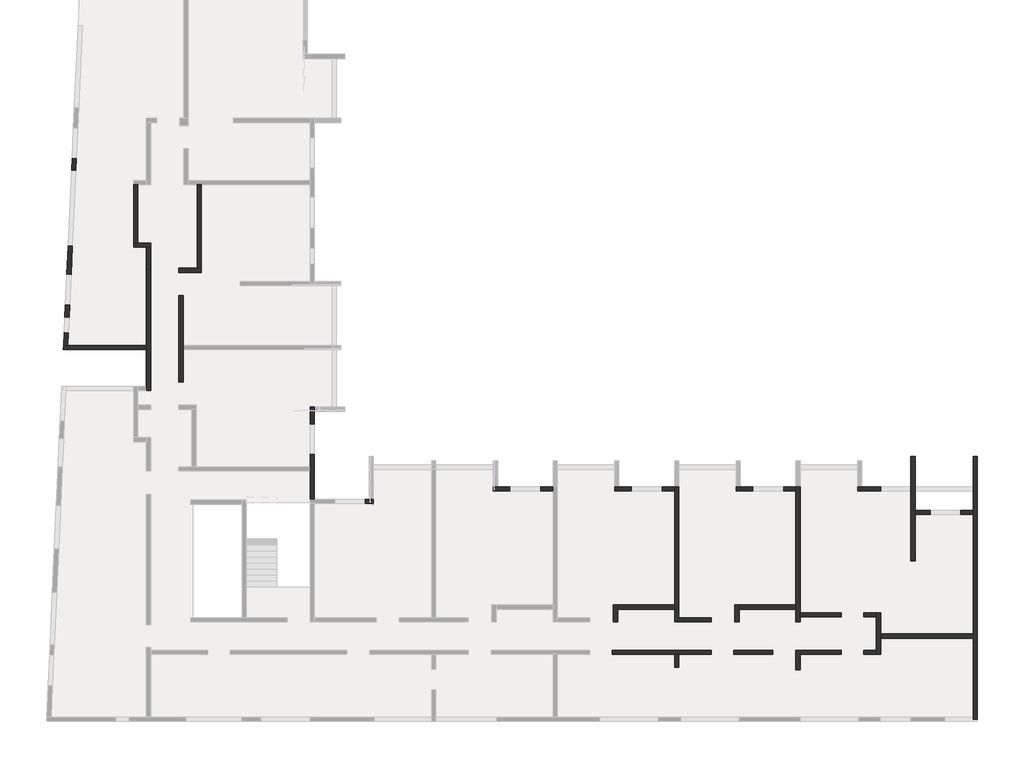
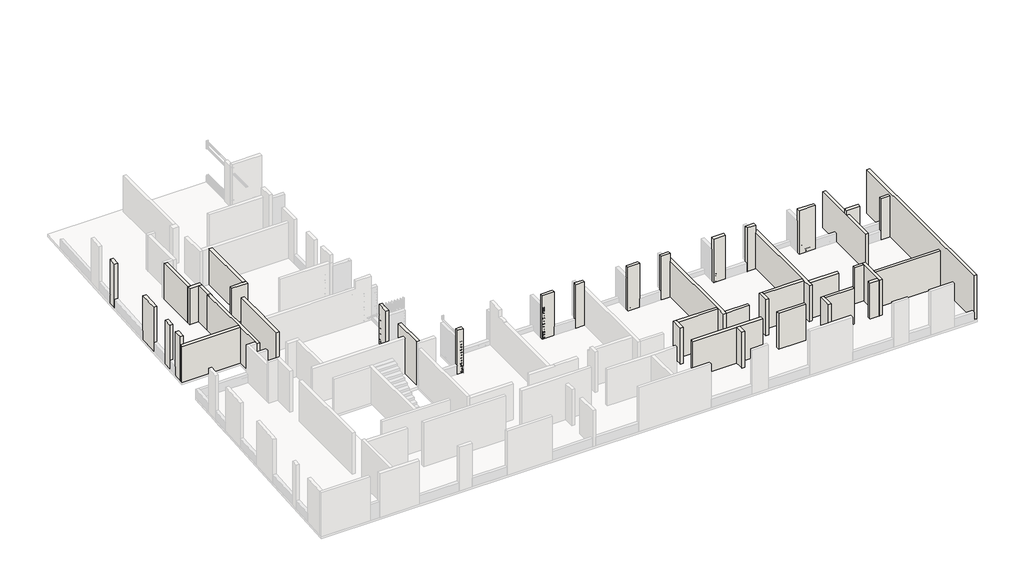
# One storey, part 2 of 7: 43 walls.
"""IFC4 building model written with IfcOpenShell, lengths in millimetres."""

from ifc_helpers import new_model, si_unit, frame, origin, place, context, project, spatial, polyline, outline, extrude, faceted_brep, element, save

model = new_model("IFC4")

# Units and contexts
model_context = context("Model", 3, world=origin())
ifc_project = project(units=[si_unit("LENGTHUNIT", "METRE", prefix="MILLI")], contexts=[model_context])

# Site, building, storey
site = spatial("IfcSite", under=ifc_project)
building = spatial("IfcBuilding", under=site)
storey = spatial("IfcBuildingStorey", under=building, Elevation=19880.0)

# Walls
placement = place(None, origin())
element("IfcWall", 1, ObjectType="MHA20", at=placement, inside=storey, context=model_context, shape_type="Brep", body=[
    faceted_brep([(-2535.6912908, -13279.0672499, 19880.0), (-2535.6912908, -12519.0672499, 19880.0), (-2535.6912908, -12319.0672499, 19880.0), (-2535.6912908, -11329.0672499, 19880.0), (-2535.6912908, -11329.0672499, 22410.0), (-2535.6912908, -12319.0672499, 22410.0), (-2535.6912908, -12519.0672499, 22410.0), (-2535.6912908, -13279.0672499, 22410.0), (-2735.6912908, -13279.0672499, 19880.0), (-2735.6912908, -13279.0672499, 22410.0), (-2735.6912908, -13079.0672499, 22410.0), (-2735.6912908, -11529.0672499, 22410.0), (-2735.6912908, -11329.0672499, 22410.0), (-2735.6912908, -11329.0672499, 19880.0), (-2735.6912908, -11529.0672499, 19880.0), (-2735.6912908, -13079.0672499, 19880.0)], [[[0, 1, 2, 3, 4, 5, 6, 7]], [[8, 9, 10, 11, 12, 13, 14, 15]], [[3, 2, 1, 0, 8, 15, 14, 13]], [[7, 6, 5, 4, 12, 11, 10, 9]], [[4, 3, 13, 12]], [[0, 7, 9, 8]]]),
])
element("IfcWall", 2, ObjectType="MHA20", at=placement, inside=storey, context=model_context, shape_type="SweptSolid", body=[
    extrude(outline(polyline([(1794.3087092, -12519.0672499), (-2535.6912908, -12519.0672499), (-2535.6912908, -12319.0672499), (1794.3087092, -12319.0672499), (1794.3087092, -12519.0672499)])), frame((0.0, 0.0, 19880.0), z_axis=(0.0, 0.0, 1.0), x_axis=(1.0, 0.0, 0.0)), (0.0, 0.0, 1.0), 2530.0),
])
element("IfcWall", 3, ObjectType="MHA20", at=placement, inside=storey, context=model_context, shape_type="Brep", body=[
    faceted_brep([(1994.3087092, -16319.0672499, 19880.0), (1994.3087092, -3999.0672499, 19880.0), (1994.3087092, -3999.0672499, 22960.0), (1994.3087092, -16319.0672499, 22960.0), (1794.3087092, -16319.0672499, 19880.0), (1794.3087092, -16319.0672499, 22960.0), (1794.3087092, -16219.0672499, 22960.0), (1794.3087092, -3999.0672499, 22960.0), (1794.3087092, -3999.0672499, 19880.0), (1794.3087092, -6519.0672499, 19880.0), (1794.3087092, -6719.0672499, 19880.0), (1794.3087092, -12319.0672499, 19880.0), (1794.3087092, -12519.0672499, 19880.0), (1794.3087092, -16219.0672499, 19880.0)], [[[0, 1, 2, 3]], [[4, 5, 6, 7, 8, 9, 10, 11, 12, 13]], [[1, 0, 4, 13, 12, 11, 10, 9, 8]], [[2, 1, 8, 7]], [[3, 2, 7, 6, 5]], [[0, 3, 5, 4]]]),
])
element("IfcWall", 4, ObjectType="MHA20", at=placement, inside=storey, context=model_context, shape_type="SweptSolid", body=[
    extrude(outline(polyline([(-2735.6912908, -11529.0672499), (-3335.6912908, -11529.0672499), (-3335.6912908, -11329.0672499), (-2735.6912908, -11329.0672499), (-2735.6912908, -11529.0672499)])), frame((0.0, 0.0, 19880.0), z_axis=(0.0, 0.0, 1.0), x_axis=(1.0, 0.0, 0.0)), (0.0, 0.0, 1.0), 2530.0),
])
element("IfcWall", 5, ObjectType="MHA20", at=placement, inside=storey, context=model_context, shape_type="SweptSolid", body=[
    extrude(outline(polyline([(-6305.6912908, -11329.0672499), (-4395.6912908, -11329.0672499), (-4395.6912908, -11529.0672499), (-6305.6912908, -11529.0672499), (-6305.6912908, -11329.0672499)])), frame((0.0, 0.0, 19880.0), z_axis=(0.0, 0.0, 1.0), x_axis=(1.0, 0.0, 0.0)), (0.0, 0.0, 1.0), 2530.0),
])
element("IfcWall", 6, ObjectType="MHA20", at=placement, inside=storey, context=model_context, shape_type="SweptSolid", body=[
    extrude(outline(polyline([(-3335.6912908, -13079.0672499), (-2735.6912908, -13079.0672499), (-2735.6912908, -13279.0672499), (-3335.6912908, -13279.0672499), (-3335.6912908, -13079.0672499)])), frame((0.0, 0.0, 19880.0), z_axis=(0.0, 0.0, 1.0), x_axis=(1.0, 0.0, 0.0)), (0.0, 0.0, 1.0), 2530.0),
])
element("IfcWall", 7, ObjectType="MHA20", at=placement, inside=storey, context=model_context, shape_type="Brep", body=[
    faceted_brep([(-6305.6912908, -13989.0672499, 19880.0), (-6305.6912908, -13279.0672499, 19880.0), (-6305.6912908, -13079.0672499, 19880.0), (-6305.6912908, -13079.0672499, 22410.0), (-6305.6912908, -13279.0672499, 22410.0), (-6305.6912908, -13989.0672499, 22410.0), (-6505.6912908, -13989.0672499, 19880.0), (-6505.6912908, -13989.0672499, 22410.0), (-6505.6912908, -13079.0672499, 22410.0), (-6505.6912908, -13079.0672499, 19880.0)], [[[0, 1, 2, 3, 4, 5]], [[6, 7, 8, 9]], [[2, 1, 0, 6, 9]], [[5, 4, 3, 8, 7]], [[0, 5, 7, 6]], [[3, 2, 9, 8]]]),
])
element("IfcWall", 8, ObjectType="MHA20", at=placement, inside=storey, context=model_context, shape_type="Brep", body=[
    faceted_brep([(-6305.6912908, -11759.0672499, 19880.0), (-6305.6912908, -11529.0672499, 19880.0), (-6305.6912908, -11329.0672499, 19880.0), (-6305.6912908, -5419.0672499, 19880.0), (-6305.6912908, -5419.0672499, 22110.0), (-6305.6912908, -5419.0672499, 22410.0), (-6305.6912908, -11329.0672499, 22410.0), (-6305.6912908, -11529.0672499, 22410.0), (-6305.6912908, -11759.0672499, 22410.0), (-6505.6912908, -11759.0672499, 19880.0), (-6505.6912908, -11759.0672499, 22410.0), (-6505.6912908, -11159.0672499, 22410.0), (-6505.6912908, -10959.0672499, 22410.0), (-6505.6912908, -5619.0672499, 22410.0), (-6505.6912908, -5419.0672499, 22410.0), (-6505.6912908, -5419.0672499, 22110.0), (-6505.6912908, -5419.0672499, 19880.0), (-6505.6912908, -5619.0672499, 19880.0), (-6505.6912908, -10959.0672499, 19880.0), (-6505.6912908, -11159.0672499, 19880.0)], [[[0, 1, 2, 3, 4, 5, 6, 7, 8]], [[9, 10, 11, 12, 13, 14, 15, 16, 17, 18, 19]], [[3, 2, 1, 0, 9, 19, 18, 17, 16]], [[8, 7, 6, 5, 14, 13, 12, 11, 10]], [[0, 8, 10, 9]], [[5, 4, 3, 16, 15, 14]]]),
])
element("IfcWall", 9, ObjectType="MHA20", at=placement, inside=storey, context=model_context, shape_type="SweptSolid", body=[
    extrude(outline(polyline([(19880.0, -925.6912908), (19880.0, -225.6912908), (22750.0, -225.6912908), (22750.0, -1125.6912908), (22410.0, -1125.6912908), (22410.0, -925.6912908), (19880.0, -925.6912908)])), frame((0.0, -6719.0672499, 0.0), z_axis=(0.0, 1.0, 0.0), x_axis=(0.0, 0.0, 1.0)), (0.0, 0.0, 1.0), 200.0),
])
element("IfcWall", 10, ObjectType="MHA20", at=placement, inside=storey, context=model_context, shape_type="SweptSolid", body=[
    extrude(outline(polyline([(1794.3087092, -6719.0672499), (1214.3087092, -6719.0672499), (1214.3087092, -6519.0672499), (1794.3087092, -6519.0672499), (1794.3087092, -6719.0672499)])), frame((0.0, 0.0, 19880.0), z_axis=(0.0, 0.0, 1.0), x_axis=(1.0, 0.0, 0.0)), (0.0, 0.0, 1.0), 2870.0),
])
element("IfcWall", 11, ObjectType="MHA20", at=placement, inside=storey, context=model_context, shape_type="Brep", body=[
    faceted_brep([(-1125.6912908, -3999.0672499, 19880.0), (-1125.6912908, -5419.0672499, 19880.0), (-1125.6912908, -5619.0672499, 19880.0), (-1125.6912908, -8899.0672499, 19880.0), (-1125.6912908, -8899.0672499, 22410.0), (-1125.6912908, -3999.0672499, 22410.0), (-925.6912908, -3999.0672499, 19880.0), (-925.6912908, -3999.0672499, 22410.0), (-925.6912908, -6519.0672499, 22410.0), (-925.6912908, -6719.0672499, 22410.0), (-925.6912908, -8899.0672499, 22410.0), (-925.6912908, -8899.0672499, 19880.0), (-925.6912908, -6719.0672499, 19880.0), (-925.6912908, -6519.0672499, 19880.0)], [[[0, 1, 2, 3, 4, 5]], [[6, 7, 8, 9, 10, 11, 12, 13]], [[3, 2, 1, 0, 6, 13, 12, 11]], [[4, 3, 11, 10]], [[5, 4, 10, 9, 8, 7]], [[0, 5, 7, 6]]]),
])
element("IfcWall", 12, ObjectType="MHA20", at=placement, inside=storey, context=model_context, shape_type="Brep", body=[
    faceted_brep([(-3615.6912908, -5619.0672499, 19880.0), (-2545.6912908, -5619.0672499, 19880.0), (-2545.6912908, -5619.0672499, 20480.0), (-2545.6912908, -5619.0672499, 22410.0), (-2545.6912908, -5619.0672499, 22795.0), (-2545.6912908, -5619.0672499, 22945.0), (-3615.6912908, -5619.0672499, 22945.0), (-3615.6912908, -5619.0672499, 22795.0), (-3615.6912908, -5619.0672499, 22410.0), (-3615.6912908, -5419.0672499, 19880.0), (-3615.6912908, -5419.0672499, 22110.0), (-3615.6912908, -5419.0672499, 22410.0), (-3615.6912908, -5419.0672499, 22796.8518519), (-3615.6912908, -5419.0672499, 22945.0), (-2545.6912908, -5419.0672499, 22945.0), (-2545.6912908, -5419.0672499, 22796.8518519), (-2545.6912908, -5419.0672499, 22410.0), (-2545.6912908, -5419.0672499, 20480.0), (-2545.6912908, -5419.0672499, 19880.0), (-3415.6912908, -5419.0672499, 19880.0)], [[[0, 1, 2, 3, 4, 5, 6, 7, 8]], [[9, 10, 11, 12, 13, 14, 15, 16, 17, 18, 19]], [[1, 0, 9, 19, 18]], [[5, 4, 3, 2, 1, 18, 17, 16, 15, 14]], [[6, 5, 14, 13]], [[0, 8, 7, 6, 13, 12, 11, 10, 9]]]),
])
element("IfcWall", 13, ObjectType="MHA20", at=placement, inside=storey, context=model_context, shape_type="SweptSolid", body=[
    extrude(outline(polyline([(-11995.6912908, -13279.0672499), (-11995.6912908, -13879.0672499), (-12195.6912908, -13879.0672499), (-12195.6912908, -13279.0672499), (-11995.6912908, -13279.0672499)])), frame((0.0, 0.0, 19880.0), z_axis=(0.0, 0.0, 1.0), x_axis=(1.0, 0.0, 0.0)), (0.0, 0.0, 1.0), 2530.0),
])
element("IfcWall", 14, ObjectType="MHA20", at=placement, inside=storey, context=model_context, shape_type="Brep", body=[
    faceted_brep([(-11995.6912908, -11759.0672499, 19880.0), (-11995.6912908, -11559.0672499, 19880.0), (-11995.6912908, -5419.0672499, 19880.0), (-11995.6912908, -5419.0672499, 22110.0), (-11995.6912908, -5419.0672499, 22410.0), (-11995.6912908, -11559.0672499, 22410.0), (-11995.6912908, -11759.0672499, 22410.0), (-12195.6912908, -11759.0672499, 19880.0), (-12195.6912908, -11759.0672499, 22410.0), (-12195.6912908, -11159.0672499, 22410.0), (-12195.6912908, -10959.0672499, 22410.0), (-12195.6912908, -5619.0672499, 22410.0), (-12195.6912908, -5419.0672499, 22410.0), (-12195.6912908, -5419.0672499, 22110.0), (-12195.6912908, -5419.0672499, 19880.0), (-12195.6912908, -5619.0672499, 19880.0), (-12195.6912908, -10959.0672499, 19880.0), (-12195.6912908, -11159.0672499, 19880.0)], [[[0, 1, 2, 3, 4, 5, 6]], [[7, 8, 9, 10, 11, 12, 13, 14, 15, 16, 17]], [[2, 1, 0, 7, 17, 16, 15, 14]], [[6, 5, 4, 12, 11, 10, 9, 8]], [[0, 6, 8, 7]], [[4, 3, 2, 14, 13, 12]]]),
])
element("IfcWall", 15, ObjectType="MHA20", at=placement, inside=storey, context=model_context, shape_type="Brep", body=[
    faceted_brep([(-9305.6912908, -5619.0672499, 19880.0), (-8525.6912908, -5619.0672499, 19880.0), (-8525.6912908, -5619.0672499, 20480.0), (-8525.6912908, -5619.0672499, 22410.0), (-8525.6912908, -5619.0672499, 22945.0), (-9305.6912908, -5619.0672499, 22945.0), (-9305.6912908, -5619.0672499, 22410.0), (-9305.6912908, -5419.0672499, 19880.0), (-9305.6912908, -5419.0672499, 22110.0), (-9305.6912908, -5419.0672499, 22410.0), (-9305.6912908, -5419.0672499, 22945.0), (-8525.6912908, -5419.0672499, 22945.0), (-8525.6912908, -5419.0672499, 22410.0), (-8525.6912908, -5419.0672499, 20480.0), (-8525.6912908, -5419.0672499, 19880.0), (-9105.6912908, -5419.0672499, 19880.0)], [[[0, 1, 2, 3, 4, 5, 6]], [[7, 8, 9, 10, 11, 12, 13, 14, 15]], [[1, 0, 7, 15, 14]], [[4, 3, 2, 1, 14, 13, 12, 11]], [[5, 4, 11, 10]], [[0, 6, 5, 10, 9, 8, 7]]]),
])
element("IfcWall", 16, ObjectType="MHA20", at=placement, inside=storey, context=model_context, shape_type="Brep", body=[
    faceted_brep([(-14995.6912908, -5619.0672499, 19880.0), (-14215.6912908, -5619.0672499, 19880.0), (-14215.6912908, -5619.0672499, 20480.0), (-14215.6912908, -5619.0672499, 22410.0), (-14215.6912908, -5619.0672499, 22795.0), (-14215.6912908, -5619.0672499, 22945.0), (-14995.6912908, -5619.0672499, 22945.0), (-14995.6912908, -5619.0672499, 22795.0), (-14995.6912908, -5619.0672499, 22410.0), (-14995.6912908, -5419.0672499, 19880.0), (-14995.6912908, -5419.0672499, 22110.0), (-14995.6912908, -5419.0672499, 22410.0), (-14995.6912908, -5419.0672499, 22796.8518519), (-14995.6912908, -5419.0672499, 22945.0), (-14215.6912908, -5419.0672499, 22945.0), (-14215.6912908, -5419.0672499, 22796.8518519), (-14215.6912908, -5419.0672499, 22410.0), (-14215.6912908, -5419.0672499, 20480.0), (-14215.6912908, -5419.0672499, 19880.0), (-14795.6912908, -5419.0672499, 19880.0)], [[[0, 1, 2, 3, 4, 5, 6, 7, 8]], [[9, 10, 11, 12, 13, 14, 15, 16, 17, 18, 19]], [[1, 0, 9, 19, 18]], [[5, 4, 3, 2, 1, 18, 17, 16, 15, 14]], [[6, 5, 14, 13]], [[0, 8, 7, 6, 13, 12, 11, 10, 9]]]),
])
element("IfcWall", 17, ObjectType="MHA20", at=placement, inside=storey, context=model_context, shape_type="Brep", body=[
    faceted_brep([(-12775.6912908, -5619.0672499, 19880.0), (-12195.6912908, -5619.0672499, 19880.0), (-12195.6912908, -5619.0672499, 22410.0), (-12195.6912908, -5619.0672499, 22945.0), (-12775.6912908, -5619.0672499, 22945.0), (-12775.6912908, -5619.0672499, 22795.0), (-12775.6912908, -5619.0672499, 22410.0), (-12775.6912908, -5619.0672499, 20480.0), (-12775.6912908, -5419.0672499, 19880.0), (-12775.6912908, -5419.0672499, 20480.0), (-12775.6912908, -5419.0672499, 22410.0), (-12775.6912908, -5419.0672499, 22796.8518519), (-12775.6912908, -5419.0672499, 22945.0), (-12195.6912908, -5419.0672499, 22945.0), (-12195.6912908, -5419.0672499, 22410.0), (-12195.6912908, -5419.0672499, 19880.0)], [[[0, 1, 2, 3, 4, 5, 6, 7]], [[8, 9, 10, 11, 12, 13, 14, 15]], [[1, 0, 8, 15]], [[4, 3, 13, 12]], [[0, 7, 6, 5, 4, 12, 11, 10, 9, 8]], [[3, 2, 1, 15, 14, 13]]]),
])
element("IfcWall", 18, ObjectType="MHA20", at=placement, inside=storey, context=model_context, shape_type="Brep", body=[
    faceted_brep([(-20685.6912908, -5619.0672499, 19880.0), (-19905.6912908, -5619.0672499, 19880.0), (-19905.6912908, -5619.0672499, 20480.0), (-19905.6912908, -5619.0672499, 22260.0), (-19905.6912908, -5619.0672499, 22795.0), (-19905.6912908, -5619.0672499, 22945.0), (-20685.6912908, -5619.0672499, 22945.0), (-20685.6912908, -5619.0672499, 22795.0), (-20685.6912908, -5619.0672499, 22260.0), (-20685.6912908, -5419.0672499, 19880.0), (-20685.6912908, -5419.0672499, 22110.0), (-20685.6912908, -5419.0672499, 22260.0), (-20685.6912908, -5419.0672499, 22796.8518519), (-20685.6912908, -5419.0672499, 22945.0), (-19905.6912908, -5419.0672499, 22945.0), (-19905.6912908, -5419.0672499, 22796.8518519), (-19905.6912908, -5419.0672499, 22260.0), (-19905.6912908, -5419.0672499, 20480.0), (-19905.6912908, -5419.0672499, 19880.0), (-20485.6912908, -5419.0672499, 19880.0)], [[[0, 1, 2, 3, 4, 5, 6, 7, 8]], [[9, 10, 11, 12, 13, 14, 15, 16, 17, 18, 19]], [[1, 0, 9, 19, 18]], [[5, 4, 3, 2, 1, 18, 17, 16, 15, 14]], [[6, 5, 14, 13]], [[0, 8, 7, 6, 13, 12, 11, 10, 9]]]),
])
element("IfcWall", 19, ObjectType="MHA20", at=placement, inside=storey, context=model_context, shape_type="Brep", body=[
    faceted_brep([(-18465.6912908, -5619.0672499, 19880.0), (-17885.6912908, -5619.0672499, 19880.0), (-17885.6912908, -5619.0672499, 22410.0), (-17885.6912908, -5619.0672499, 22795.0), (-17885.6912908, -5619.0672499, 22945.0), (-18465.6912908, -5619.0672499, 22945.0), (-18465.6912908, -5619.0672499, 22795.0), (-18465.6912908, -5619.0672499, 22260.0), (-18465.6912908, -5619.0672499, 20480.0), (-18465.6912908, -5419.0672499, 19880.0), (-18465.6912908, -5419.0672499, 20480.0), (-18465.6912908, -5419.0672499, 22260.0), (-18465.6912908, -5419.0672499, 22796.8518519), (-18465.6912908, -5419.0672499, 22945.0), (-17885.6912908, -5419.0672499, 22945.0), (-17885.6912908, -5419.0672499, 22796.8518519), (-17885.6912908, -5419.0672499, 22410.0), (-17885.6912908, -5419.0672499, 19880.0)], [[[0, 1, 2, 3, 4, 5, 6, 7, 8]], [[9, 10, 11, 12, 13, 14, 15, 16, 17]], [[1, 0, 9, 17]], [[5, 4, 14, 13]], [[0, 8, 7, 6, 5, 13, 12, 11, 10, 9]], [[4, 3, 2, 1, 17, 16, 15, 14]]]),
])
element("IfcWall", 20, ObjectType="MHA20", at=placement, inside=storey, context=model_context, shape_type="SweptSolid", body=[
    extrude(outline(polyline([(-9410.6912908, -13079.0672499), (-7595.6912908, -13079.0672499), (-7595.6912908, -13279.0672499), (-9410.6912908, -13279.0672499), (-9410.6912908, -13079.0672499)])), frame((0.0, 0.0, 19880.0), z_axis=(0.0, 0.0, 1.0), x_axis=(1.0, 0.0, 0.0)), (0.0, 0.0, 1.0), 2530.0),
])
element("IfcWall", 21, ObjectType="MHA20", at=placement, inside=storey, context=model_context, shape_type="SweptSolid", body=[
    extrude(outline(polyline([(-11995.6912908, -11559.0672499), (-10470.6912908, -11559.0672499), (-10470.6912908, -11759.0672499), (-11995.6912908, -11759.0672499), (-11995.6912908, -11559.0672499)])), frame((0.0, 0.0, 19880.0), z_axis=(0.0, 0.0, 1.0), x_axis=(1.0, 0.0, 0.0)), (0.0, 0.0, 1.0), 2530.0),
])
element("IfcWall", 22, ObjectType="MHA20", at=placement, inside=storey, context=model_context, shape_type="Brep", body=[
    faceted_brep([(-9170.6912908, -11759.0672499, 19880.0), (-9170.6912908, -11159.0672499, 19880.0), (-9170.6912908, -10959.0672499, 19880.0), (-9170.6912908, -10959.0672499, 22410.0), (-9170.6912908, -11159.0672499, 22410.0), (-9170.6912908, -11759.0672499, 22410.0), (-9370.6912908, -11759.0672499, 19880.0), (-9370.6912908, -11759.0672499, 22410.0), (-9370.6912908, -10959.0672499, 22410.0), (-9370.6912908, -10959.0672499, 19880.0)], [[[0, 1, 2, 3, 4, 5]], [[6, 7, 8, 9]], [[2, 1, 0, 6, 9]], [[5, 4, 3, 8, 7]], [[0, 5, 7, 6]], [[3, 2, 9, 8]]]),
])
element("IfcWall", 23, ObjectType="MHA20", at=placement, inside=storey, context=model_context, shape_type="SweptSolid", body=[
    extrude(outline(polyline([(-6505.6912908, -11159.0672499), (-9170.6912908, -11159.0672499), (-9170.6912908, -10959.0672499), (-6505.6912908, -10959.0672499), (-6505.6912908, -11159.0672499)])), frame((0.0, 0.0, 19880.0), z_axis=(0.0, 0.0, 1.0), x_axis=(1.0, 0.0, 0.0)), (0.0, 0.0, 1.0), 2530.0),
])
element("IfcWall", 24, ObjectType="MHA20", at=placement, inside=storey, context=model_context, shape_type="Brep", body=[
    faceted_brep([(-14860.6912908, -11759.0672499, 19880.0), (-14860.6912908, -11159.0672499, 19880.0), (-14860.6912908, -10959.0672499, 19880.0), (-14860.6912908, -10959.0672499, 22410.0), (-14860.6912908, -11159.0672499, 22410.0), (-14860.6912908, -11759.0672499, 22410.0), (-15060.6912908, -11759.0672499, 19880.0), (-15060.6912908, -11759.0672499, 22410.0), (-15060.6912908, -10959.0672499, 22410.0), (-15060.6912908, -10959.0672499, 19880.0)], [[[0, 1, 2, 3, 4, 5]], [[6, 7, 8, 9]], [[2, 1, 0, 6, 9]], [[5, 4, 3, 8, 7]], [[0, 5, 7, 6]], [[3, 2, 9, 8]]]),
])
element("IfcWall", 25, ObjectType="MHA20", at=placement, inside=storey, context=model_context, shape_type="SweptSolid", body=[
    extrude(outline(polyline([(-12195.6912908, -11159.0672499), (-14860.6912908, -11159.0672499), (-14860.6912908, -10959.0672499), (-12195.6912908, -10959.0672499), (-12195.6912908, -11159.0672499)])), frame((0.0, 0.0, 19880.0), z_axis=(0.0, 0.0, 1.0), x_axis=(1.0, 0.0, 0.0)), (0.0, 0.0, 1.0), 2530.0),
])
element("IfcWall", 26, ObjectType="MHA20", at=placement, inside=storey, context=model_context, shape_type="Brep", body=[
    faceted_brep([(-26675.6912908, -6204.0672499, 19880.0), (-26295.6912908, -6204.0672499, 19880.0), (-26295.6912908, -6204.0672499, 22260.0), (-26295.6912908, -6204.0672499, 22960.0), (-26675.6912908, -6204.0672499, 22960.0), (-26675.6912908, -6204.0672499, 22260.0), (-26675.6912908, -6204.0672499, 20480.0), (-26675.6912908, -6004.0672499, 19880.0), (-26675.6912908, -6004.0672499, 20480.0), (-26675.6912908, -6004.0672499, 22260.0), (-26675.6912908, -6004.0672499, 22960.0), (-26495.6912908, -6004.0672499, 22960.0), (-26295.6912908, -6004.0672499, 22960.0), (-26295.6912908, -6004.0672499, 22260.0), (-26295.6912908, -6004.0672499, 22110.0), (-26295.6912908, -6004.0672499, 19880.0), (-26495.6912908, -6004.0672499, 19880.0)], [[[0, 1, 2, 3, 4, 5, 6]], [[7, 8, 9, 10, 11, 12, 13, 14, 15, 16]], [[1, 0, 7, 16, 15]], [[3, 2, 1, 15, 14, 13, 12]], [[4, 3, 12, 11, 10]], [[0, 6, 5, 4, 10, 9, 8, 7]]]),
])
element("IfcWall", 27, ObjectType="MHA20", at=placement, inside=storey, context=model_context, shape_type="Brep", body=[
    faceted_brep([(-35205.6912908, -509.0672499, 19880.0), (-35205.6912908, 1000.9327501, 19880.0), (-35205.6912908, 1200.9327501, 19880.0), (-35205.6912908, 3530.9327501, 19880.0), (-35205.6912908, 3530.9327501, 22410.0), (-35205.6912908, 1200.9327501, 22410.0), (-35205.6912908, 1000.9327501, 22410.0), (-35205.6912908, -509.0672499, 22410.0), (-35405.6912908, -509.0672499, 19880.0), (-35405.6912908, -509.0672499, 22410.0), (-35405.6912908, 3530.9327501, 22410.0), (-35405.6912908, 3530.9327501, 19880.0)], [[[0, 1, 2, 3, 4, 5, 6, 7]], [[8, 9, 10, 11]], [[3, 2, 1, 0, 8, 11]], [[4, 3, 11, 10]], [[7, 6, 5, 4, 10, 9]], [[0, 7, 9, 8]]]),
])
element("IfcWall", 28, ObjectType="MHA20", at=placement, inside=storey, context=model_context, shape_type="Brep", body=[
    faceted_brep([(-40818.7913521, 1000.9327501, 19880.0), (-36935.6912908, 1000.9327501, 19880.0), (-36935.6912908, 1000.9327501, 22410.0), (-40818.7913521, 1000.9327501, 22410.0), (-40809.7183696, 1200.9327501, 19880.0), (-40809.7183696, 1200.9327501, 22410.0), (-40609.5126779, 1200.9327501, 22410.0), (-36935.6912908, 1200.9327501, 22410.0), (-36935.6912908, 1200.9327501, 19880.0), (-40609.5126779, 1200.9327501, 19880.0), (-40815.3889837, 1075.9327501, 22410.0)], [[[0, 1, 2, 3]], [[4, 5, 6, 7, 8, 9]], [[1, 0, 4, 9, 8]], [[3, 2, 7, 6, 5, 10]], [[2, 1, 8, 7]], [[0, 3, 10, 5, 4]]]),
])
element("IfcWall", 29, ObjectType="MHA20", at=placement, inside=storey, context=model_context, shape_type="Brep", body=[
    faceted_brep([(-29065.6912908, -2469.0672499, 19880.0), (-29065.6912908, -1889.5482142, 19880.0), (-29065.6912908, -1689.5482142, 19880.0), (-29065.6912908, -1689.5482142, 22110.0), (-29065.6912908, -1689.5482142, 22260.0), (-29065.6912908, -1689.5482142, 22410.0), (-29065.6912908, -1689.5482142, 22945.0), (-29065.6912908, -1689.5482142, 22960.0), (-29065.6912908, -1889.5482142, 22960.0), (-29065.6912908, -2469.0672499, 22960.0), (-29065.6912908, -2469.0672499, 22410.0), (-29065.6912908, -2469.0672499, 20480.0), (-29265.6912908, -2469.0672499, 19880.0), (-29265.6912908, -2469.0672499, 20480.0), (-29265.6912908, -2469.0672499, 22410.0), (-29265.6912908, -2469.0672499, 22960.0), (-29265.6912908, -1689.5482142, 22960.0), (-29265.6912908, -1689.5482142, 22945.0), (-29265.6912908, -1689.5482142, 22410.0), (-29265.6912908, -1689.5482142, 19880.0)], [[[0, 1, 2, 3, 4, 5, 6, 7, 8, 9, 10, 11]], [[12, 13, 14, 15, 16, 17, 18, 19]], [[2, 1, 0, 12, 19]], [[7, 6, 5, 4, 3, 2, 19, 18, 17, 16]], [[9, 8, 7, 16, 15]], [[0, 11, 10, 9, 15, 14, 13, 12]]]),
])
element("IfcWall", 30, ObjectType="MHA20", at=placement, inside=storey, context=model_context, shape_type="Brep", body=[
    faceted_brep([(-35405.6912908, 4620.9327501, 19880.0), (-34355.6912908, 4620.9327501, 19880.0), (-34355.6912908, 4620.9327501, 22410.0), (-35405.6912908, 4620.9327501, 22410.0), (-35405.6912908, 4820.9327501, 19880.0), (-35405.6912908, 4820.9327501, 22410.0), (-34555.6912908, 4820.9327501, 22410.0), (-34355.6912908, 4820.9327501, 22410.0), (-34355.6912908, 4820.9327501, 19880.0), (-34555.6912908, 4820.9327501, 19880.0)], [[[0, 1, 2, 3]], [[4, 5, 6, 7, 8, 9]], [[1, 0, 4, 9, 8]], [[3, 2, 7, 6, 5]], [[0, 3, 5, 4]], [[2, 1, 8, 7]]]),
])
element("IfcWall", 31, ObjectType="MHA20", at=placement, inside=storey, context=model_context, shape_type="SweptSolid", body=[
    extrude(outline(polyline([(-34355.6912908, 8730.9327501), (-34355.6912908, 4820.9327501), (-34555.6912908, 4820.9327501), (-34555.6912908, 8730.9327501), (-34355.6912908, 8730.9327501)])), frame((0.0, 0.0, 19880.0), z_axis=(0.0, 0.0, 1.0), x_axis=(1.0, 0.0, 0.0)), (0.0, 0.0, 1.0), 2530.0),
])
element("IfcWall", 32, ObjectType="MHA20", at=placement, inside=storey, context=model_context, shape_type="Brep", body=[
    faceted_brep([(-36735.6912908, -914.0672499, 19880.0), (-36735.6912908, 4782.5327501, 19880.0), (-36735.6912908, 4782.5327501, 22410.0), (-36735.6912908, -914.0672499, 22410.0), (-36935.6912908, -914.0672499, 19880.0), (-36935.6912908, -914.0672499, 22410.0), (-36935.6912908, -714.0672499, 22410.0), (-36935.6912908, 1000.9327501, 22410.0), (-36935.6912908, 1200.9327501, 22410.0), (-36935.6912908, 4782.5327501, 22410.0), (-36935.6912908, 4782.5327501, 19880.0), (-36935.6912908, 1200.9327501, 19880.0), (-36935.6912908, 1000.9327501, 19880.0), (-36935.6912908, -714.0672499, 19880.0)], [[[0, 1, 2, 3]], [[4, 5, 6, 7, 8, 9, 10, 11, 12, 13]], [[1, 0, 4, 13, 12, 11, 10]], [[2, 1, 10, 9]], [[3, 2, 9, 8, 7, 6, 5]], [[0, 3, 5, 4]]]),
])
element("IfcWall", 33, ObjectType="MHA20", at=placement, inside=storey, context=model_context, shape_type="SweptSolid", body=[
    extrude(outline(polyline([(-37535.6912908, 6010.9327501), (-37535.6912908, 8730.9327501), (-37335.6912908, 8730.9327501), (-37335.6912908, 6010.9327501), (-37535.6912908, 6010.9327501)])), frame((0.0, 0.0, 19880.0), z_axis=(0.0, 0.0, 1.0), x_axis=(1.0, 0.0, 0.0)), (0.0, 0.0, 1.0), 2530.0),
])
element("IfcWall", 34, ObjectType="MHA20", at=placement, inside=storey, context=model_context, shape_type="Brep", body=[
    faceted_brep([(-37535.6912908, 5810.9327501, 19880.0), (-36935.6912908, 5810.9327501, 19880.0), (-36735.6912908, 5810.9327501, 19880.0), (-36735.6912908, 5810.9327501, 22410.0), (-36935.6912908, 5810.9327501, 22410.0), (-37535.6912908, 5810.9327501, 22410.0), (-37535.6912908, 6010.9327501, 19880.0), (-37535.6912908, 6010.9327501, 22410.0), (-37335.6912908, 6010.9327501, 22410.0), (-36735.6912908, 6010.9327501, 22410.0), (-36735.6912908, 6010.9327501, 19880.0), (-37335.6912908, 6010.9327501, 19880.0)], [[[0, 1, 2, 3, 4, 5]], [[6, 7, 8, 9, 10, 11]], [[2, 1, 0, 6, 11, 10]], [[5, 4, 3, 9, 8, 7]], [[0, 5, 7, 6]], [[3, 2, 10, 9]]]),
])
element("IfcWall", 35, ObjectType="MHA20", at=placement, inside=storey, context=model_context, shape_type="Brep", body=[
    faceted_brep([(-7085.6912908, -5619.0672499, 19880.0), (-6505.6912908, -5619.0672499, 19880.0), (-6505.6912908, -5619.0672499, 22410.0), (-6505.6912908, -5619.0672499, 22795.0), (-6505.6912908, -5619.0672499, 22945.0), (-7085.6912908, -5619.0672499, 22945.0), (-7085.6912908, -5619.0672499, 22410.0), (-7085.6912908, -5619.0672499, 20480.0), (-7085.6912908, -5419.0672499, 19880.0), (-7085.6912908, -5419.0672499, 20480.0), (-7085.6912908, -5419.0672499, 22410.0), (-7085.6912908, -5419.0672499, 22945.0), (-6505.6912908, -5419.0672499, 22945.0), (-6505.6912908, -5419.0672499, 22796.8518519), (-6505.6912908, -5419.0672499, 22410.0), (-6505.6912908, -5419.0672499, 19880.0)], [[[0, 1, 2, 3, 4, 5, 6, 7]], [[8, 9, 10, 11, 12, 13, 14, 15]], [[1, 0, 8, 15]], [[5, 4, 12, 11]], [[0, 7, 6, 5, 11, 10, 9, 8]], [[4, 3, 2, 1, 15, 14, 13, 12]]]),
])
element("IfcWall", 36, ObjectType="MHA20", at=placement, inside=storey, context=model_context, shape_type="Brep", body=[
    faceted_brep([(-40412.4384429, 9958.3601659, 19880.0), (-40436.6837357, 9423.909826, 19880.0), (-40436.6837357, 9423.909826, 20480.0), (-40436.6837357, 9423.909826, 22410.0), (-40436.6837357, 9423.909826, 22960.0), (-40412.4384429, 9958.3601659, 22960.0), (-40412.4384429, 9958.3601659, 22410.0), (-40412.4384429, 9958.3601659, 20480.0), (-40212.6439234, 9949.296505, 19880.0), (-40212.6439234, 9949.296505, 20480.0), (-40212.6439234, 9949.296505, 22410.0), (-40212.6439234, 9949.296505, 22960.0), (-40236.8892162, 9414.8461652, 22960.0), (-40236.8892162, 9414.8461652, 22410.0), (-40236.8892162, 9414.8461652, 20480.0), (-40236.8892162, 9414.8461652, 19880.0)], [[[0, 1, 2, 3, 4, 5, 6, 7]], [[8, 9, 10, 11, 12, 13, 14, 15]], [[1, 0, 8, 15]], [[4, 3, 2, 1, 15, 14, 13, 12]], [[5, 4, 12, 11]], [[0, 7, 6, 5, 11, 10, 9, 8]]]),
])
element("IfcWall", 37, ObjectType="MHA20", at=placement, inside=storey, context=model_context, shape_type="Brep", body=[
    faceted_brep([(-40598.016899, 5867.5673776, 19880.0), (-40658.0636522, 4543.9286854, 19880.0), (-40658.0636522, 4543.9286854, 20480.0), (-40658.0636522, 4543.9286854, 22410.0), (-40658.0636522, 4543.9286854, 22960.0), (-40598.016899, 5867.5673776, 22960.0), (-40598.016899, 5867.5673776, 22410.0), (-40598.016899, 5867.5673776, 20480.0), (-40398.2223794, 5858.5037168, 19880.0), (-40398.2223794, 5858.5037168, 20480.0), (-40398.2223794, 5858.5037168, 22410.0), (-40398.2223794, 5858.5037168, 22960.0), (-40458.2691326, 4534.8650246, 22960.0), (-40458.2691326, 4534.8650246, 22410.0), (-40458.2691326, 4534.8650246, 20480.0), (-40458.2691326, 4534.8650246, 19880.0)], [[[0, 1, 2, 3, 4, 5, 6, 7]], [[8, 9, 10, 11, 12, 13, 14, 15]], [[1, 0, 8, 15]], [[4, 3, 2, 1, 15, 14, 13, 12]], [[5, 4, 12, 11]], [[0, 7, 6, 5, 11, 10, 9, 8]]]),
])
element("IfcWall", 38, ObjectType="MHA20", at=placement, inside=storey, context=model_context, shape_type="Brep", body=[
    faceted_brep([(-40609.5126779, 1200.9327501, 19880.0), (-40582.6678779, 1792.6852434, 19880.0), (-40582.6678779, 1792.6852434, 20480.0), (-40582.6678779, 1792.6852434, 22410.0), (-40582.6678779, 1792.6852434, 22960.0), (-40609.5126779, 1200.9327501, 22960.0), (-40609.5126779, 1200.9327501, 22410.0), (-40809.7183696, 1200.9327501, 19880.0), (-40809.7183696, 1200.9327501, 22410.0), (-40809.7183696, 1200.9327501, 22960.0), (-40782.4623975, 1801.7489043, 22960.0), (-40782.4623975, 1801.7489043, 22410.0), (-40782.4623975, 1801.7489043, 20480.0), (-40782.4623975, 1801.7489043, 19880.0)], [[[0, 1, 2, 3, 4, 5, 6]], [[7, 8, 9, 10, 11, 12, 13]], [[1, 0, 7, 13]], [[4, 3, 2, 1, 13, 12, 11, 10]], [[5, 4, 10, 9]], [[0, 6, 5, 9, 8, 7]]]),
])
element("IfcWall", 39, ObjectType="MHA20", at=placement, inside=storey, context=model_context, shape_type="Brep", body=[
    faceted_brep([(-40723.3220104, 3105.4081445, 19880.0), (-40748.9268523, 2540.9886267, 19880.0), (-40748.9268523, 2540.9886267, 20480.0), (-40748.9268523, 2540.9886267, 22410.0), (-40748.9268523, 2540.9886267, 22960.0), (-40723.3220104, 3105.4081445, 22960.0), (-40723.3220104, 3105.4081445, 22410.0), (-40723.3220104, 3105.4081445, 20480.0), (-40523.5274908, 3096.3444836, 19880.0), (-40523.5274908, 3096.3444836, 20480.0), (-40523.5274908, 3096.3444836, 22410.0), (-40523.5274908, 3096.3444836, 22960.0), (-40549.1323327, 2531.9249658, 22960.0), (-40549.1323327, 2531.9249658, 22410.0), (-40549.1323327, 2531.9249658, 20480.0), (-40549.1323327, 2531.9249658, 19880.0)], [[[0, 1, 2, 3, 4, 5, 6, 7]], [[8, 9, 10, 11, 12, 13, 14, 15]], [[1, 0, 8, 15]], [[4, 3, 2, 1, 15, 14, 13, 12]], [[5, 4, 12, 11]], [[0, 7, 6, 5, 11, 10, 9, 8]]]),
])
element("IfcWall", 40, ObjectType="MHA20", at=placement, inside=storey, context=model_context, shape_type="Brep", body=[
    faceted_brep([(-29065.6912908, -6004.0672499, 22960.0), (-29065.6912908, -6004.0672499, 19880.0), (-29065.6912908, -3909.0672499, 19880.0), (-29065.6912908, -3909.0672499, 20480.0), (-29065.6912908, -3909.0672499, 22410.0), (-29065.6912908, -3909.0672499, 22960.0), (-29265.6912908, -6004.0672499, 19880.0), (-29265.6912908, -6004.0672499, 22960.0), (-29265.6912908, -3909.0672499, 22960.0), (-29265.6912908, -3909.0672499, 22410.0), (-29265.6912908, -3909.0672499, 20480.0), (-29265.6912908, -3909.0672499, 19880.0), (-29265.6912908, -4489.0672499, 19880.0), (-29265.6912908, -4689.0672499, 19880.0)], [[[0, 1, 2, 3, 4, 5]], [[6, 7, 8, 9, 10, 11, 12, 13]], [[2, 1, 6, 13, 12, 11]], [[5, 4, 3, 2, 11, 10, 9, 8]], [[0, 5, 8, 7]], [[0, 7, 6, 1]]]),
])
element("IfcWall", 41, ObjectType="MHA20", at=placement, inside=storey, context=model_context, shape_type="SweptSolid", body=[
    extrude(outline(polyline([(-6305.6912908, -13079.0672499), (-4395.6912908, -13079.0672499), (-4395.6912908, -13279.0672499), (-6305.6912908, -13279.0672499), (-6305.6912908, -13079.0672499)])), frame((0.0, 0.0, 19880.0), z_axis=(0.0, 0.0, 1.0), x_axis=(1.0, 0.0, 0.0)), (0.0, 0.0, 1.0), 2530.0),
])
element("IfcWall", 42, ObjectType="MHA20", at=placement, inside=storey, context=model_context, shape_type="Brep", body=[
    faceted_brep([(-10470.6912908, -13079.0672499, 22410.0), (-10470.6912908, -13079.0672499, 19880.0), (-15100.6912908, -13079.0672499, 19880.0), (-15100.6912908, -13079.0672499, 22410.0), (-10470.6912908, -13279.0672499, 22410.0), (-11995.6912908, -13279.0672499, 22410.0), (-12195.6912908, -13279.0672499, 22410.0), (-15100.6912908, -13279.0672499, 22410.0), (-15100.6912908, -13279.0672499, 19880.0), (-12195.6912908, -13279.0672499, 19880.0), (-11995.6912908, -13279.0672499, 19880.0), (-10470.6912908, -13279.0672499, 19880.0)], [[[0, 1, 2, 3]], [[4, 5, 6, 7, 8, 9, 10, 11]], [[3, 2, 8, 7]], [[2, 1, 11, 10, 9, 8]], [[1, 0, 4, 11]], [[0, 3, 7, 6, 5, 4]]]),
])
element("IfcWall", 43, ObjectType="MHA20", at=placement, inside=storey, context=model_context, shape_type="SweptSolid", body=[
    extrude(outline(polyline([(-36735.6912908, 5810.9327501), (-36735.6912908, 4590.9327501), (-36935.6912908, 4590.9327501), (-36935.6912908, 5810.9327501), (-36735.6912908, 5810.9327501)])), frame((0.0, 0.0, 19880.0), z_axis=(0.0, 0.0, 1.0), x_axis=(1.0, 0.0, 0.0)), (0.0, 0.0, 1.0), 2530.0),
])

save(model, "model.ifc")
